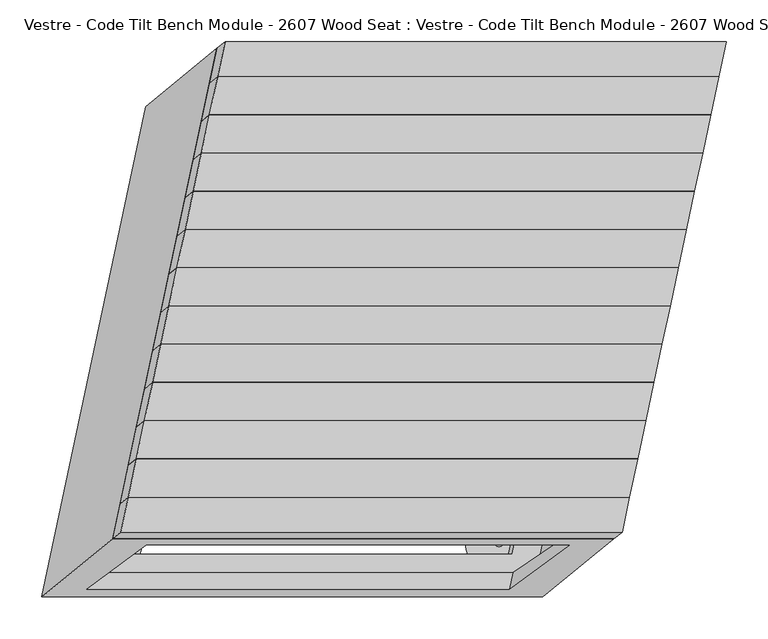
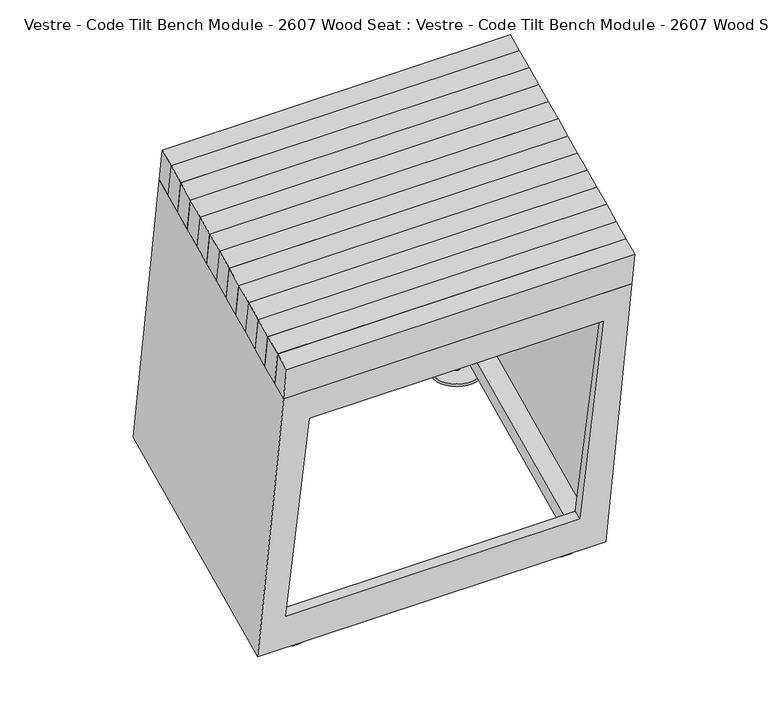
"""IFC4 building model written with IfcOpenShell, lengths in millimetres: furniture geometry, Vestre - Code Tilt Bench Module - 2607 Wood Seat : Vestre - Code Tilt Bench Module - 2607 Wood Seat."""

from ifc_helpers import new_model, si_unit, point, frame, frame_2d, origin, origin_with_axes, place, context, project, spatial, circle_curve, trimmed, segment, composite_curve, outline, extrude, faceted_brep, source, transform, mapped, element, save


def vestre_code_tilt_bench_module_2607_wood_seat_vestre_code_0fb46f59(model_context):
    return source(origin(), model_context, "Body", "SolidModel", [
        faceted_brep([(244.0437897, -174.1919917, 465.0), (253.7680564, -128.4429141, 465.0), (-346.2319436, -128.4429141, 465.0), (-355.9562103, -174.1919917, 465.0), (234.3979186, -182.0875693, 419.8134138), (-365.6020814, -182.0875693, 419.8134138), (-355.8778148, -136.3384916, 419.8134138), (244.1221852, -136.3384916, 419.8134138)], [[[0, 1, 2, 3]], [[4, 5, 6, 7]], [[5, 4, 0, 3]], [[6, 5, 3, 2]], [[7, 6, 2, 1]], [[4, 7, 1, 0]]]),
        faceted_brep([(253.7680564, -128.4429141, 465.0), (263.492323, -82.6938364, 465.0), (-336.507677, -82.6938364, 465.0), (-346.2319436, -128.4429141, 465.0), (244.1221852, -136.3384916, 419.8134138), (-355.8778148, -136.3384916, 419.8134138), (-346.1535481, -90.5894139, 419.8134138), (253.8464519, -90.5894139, 419.8134138)], [[[0, 1, 2, 3]], [[4, 5, 6, 7]], [[5, 4, 0, 3]], [[6, 5, 3, 2]], [[7, 6, 2, 1]], [[4, 7, 1, 0]]]),
        faceted_brep([(263.492323, -82.6938364, 465.0), (273.2165897, -36.9447587, 465.0), (-326.7834103, -36.9447587, 465.0), (-336.507677, -82.6938364, 465.0), (253.8464519, -90.5894139, 419.8134138), (-346.1535481, -90.5894139, 419.8134138), (-336.4292815, -44.8403363, 419.8134138), (263.5707185, -44.8403363, 419.8134138)], [[[0, 1, 2, 3]], [[4, 5, 6, 7]], [[5, 4, 0, 3]], [[6, 5, 3, 2]], [[7, 6, 2, 1]], [[4, 7, 1, 0]]]),
        faceted_brep([(273.2165897, -36.9447587, 465.0), (282.9408563, 8.8043189, 465.0), (-317.0591437, 8.8043189, 465.0), (-326.7834103, -36.9447587, 465.0), (263.5707185, -44.8403363, 419.8134138), (-336.4292815, -44.8403363, 419.8134138), (-326.7050148, 0.9087414, 419.8134138), (273.2949852, 0.9087414, 419.8134138)], [[[0, 1, 2, 3]], [[4, 5, 6, 7]], [[5, 4, 0, 3]], [[6, 5, 3, 2]], [[7, 6, 2, 1]], [[4, 7, 1, 0]]]),
        faceted_brep([(282.9408563, 8.8043189, 465.0), (292.665123, 54.5533966, 465.0), (-307.334877, 54.5533966, 465.0), (-317.0591437, 8.8043189, 465.0), (273.2949852, 0.9087414, 419.8134138), (-326.7050148, 0.9087414, 419.8134138), (-316.9807482, 46.657819, 419.8134138), (283.0192518, 46.657819, 419.8134138)], [[[0, 1, 2, 3]], [[4, 5, 6, 7]], [[5, 4, 0, 3]], [[6, 5, 3, 2]], [[7, 6, 2, 1]], [[4, 7, 1, 0]]]),
        faceted_brep([(292.665123, 54.5533966, 465.0), (302.3893896, 100.3024742, 465.0), (-297.6106104, 100.3024742, 465.0), (-307.334877, 54.5533966, 465.0), (283.0192518, 46.657819, 419.8134138), (-316.9807482, 46.657819, 419.8134138), (-307.2564815, 92.4068967, 419.8134138), (292.7435185, 92.4068967, 419.8134138)], [[[0, 1, 2, 3]], [[4, 5, 6, 7]], [[5, 4, 0, 3]], [[6, 5, 3, 2]], [[7, 6, 2, 1]], [[4, 7, 1, 0]]]),
        faceted_brep([(302.3893896, 100.3024742, 465.0), (312.1136563, 146.0515519, 465.0), (-287.8863437, 146.0515519, 465.0), (-297.6106104, 100.3024742, 465.0), (292.7435185, 92.4068967, 419.8134138), (-307.2564815, 92.4068967, 419.8134138), (-297.5322149, 138.1559744, 419.8134138), (302.4677851, 138.1559744, 419.8134138)], [[[0, 1, 2, 3]], [[4, 5, 6, 7]], [[5, 4, 0, 3]], [[6, 5, 3, 2]], [[7, 6, 2, 1]], [[4, 7, 1, 0]]]),
        faceted_brep([(312.1136563, 146.0515519, 465.0), (321.8379229, 191.8006296, 465.0), (-278.1620771, 191.8006296, 465.0), (-287.8863437, 146.0515519, 465.0), (302.4677851, 138.1559744, 419.8134138), (-297.5322149, 138.1559744, 419.8134138), (-287.8079482, 183.905052, 419.8134138), (312.1920518, 183.905052, 419.8134138)], [[[0, 1, 2, 3]], [[4, 5, 6, 7]], [[5, 4, 0, 3]], [[6, 5, 3, 2]], [[7, 6, 2, 1]], [[4, 7, 1, 0]]]),
        faceted_brep([(321.8379229, 191.8006296, 465.0), (331.5621895, 237.5497072, 465.0), (-268.4378105, 237.5497072, 465.0), (-278.1620771, 191.8006296, 465.0), (312.1920518, 183.905052, 419.8134138), (-287.8079482, 183.905052, 419.8134138), (-278.0836816, 229.6541297, 419.8134138), (321.9163184, 229.6541297, 419.8134138)], [[[0, 1, 2, 3]], [[4, 5, 6, 7]], [[5, 4, 0, 3]], [[6, 5, 3, 2]], [[7, 6, 2, 1]], [[4, 7, 1, 0]]]),
        faceted_brep([(331.5621895, 237.5497072, 465.0), (341.2864562, 283.2987849, 465.0), (-258.7135438, 283.2987849, 465.0), (-268.4378105, 237.5497072, 465.0), (321.9163184, 229.6541297, 419.8134138), (-278.0836816, 229.6541297, 419.8134138), (-268.3594149, 275.4032074, 419.8134138), (331.6405851, 275.4032074, 419.8134138)], [[[0, 1, 2, 3]], [[4, 5, 6, 7]], [[5, 4, 0, 3]], [[6, 5, 3, 2]], [[7, 6, 2, 1]], [[4, 7, 1, 0]]]),
        faceted_brep([(341.2864562, 283.2987849, 465.0), (351.0107228, 329.0478626, 465.0), (-248.9892772, 329.0478626, 465.0), (-258.7135438, 283.2987849, 465.0), (331.6405851, 275.4032074, 419.8134138), (-268.3594149, 275.4032074, 419.8134138), (-258.6351483, 321.152285, 419.8134138), (341.3648517, 321.152285, 419.8134138)], [[[0, 1, 2, 3]], [[4, 5, 6, 7]], [[5, 4, 0, 3]], [[6, 5, 3, 2]], [[7, 6, 2, 1]], [[4, 7, 1, 0]]]),
        faceted_brep([(235.1533674, -216.0181403, 465.0), (244.0437897, -174.1919917, 465.0), (-355.9562103, -174.1919917, 465.0), (-364.8466326, -216.0181403, 465.0), (225.5082596, -223.9101268, 419.8134138), (-374.4917404, -223.9101268, 419.8134138), (-365.6020814, -182.0875693, 419.8134138), (234.3979186, -182.0875693, 419.8134138)], [[[0, 1, 2, 3]], [[4, 5, 6, 7]], [[5, 4, 0, 3]], [[6, 5, 3, 2]], [[7, 6, 2, 1]], [[4, 7, 1, 0]]]),
        extrude(outline(composite_curve([segment(trimmed(circle_curve(frame_2d((184.9661106, 228.5027868)), 5.0), [point((189.9661106, 228.5027868))], [point((179.9661106, 228.5027868))], False, "CARTESIAN"), True, "CONTINUOUS"), segment(trimmed(circle_curve(frame_2d((184.9661106, 228.5027868)), 5.0), [point((179.9661106, 228.5027868))], [point((189.9661106, 228.5027868))], False, "CARTESIAN"), True, "CONTINUOUS")], self_intersect=False)), frame((0.0, 0.0, 5.0), z_axis=(0.0, 0.0, 1.0), x_axis=(1.0, 0.0, 0.0)), (0.0, 0.0, 1.0), 16.8677277),
        extrude(outline(composite_curve([segment(trimmed(circle_curve(frame_2d((-379.2374486, -228.4385142)), 5.0), [point((-374.2374486, -228.4385142))], [point((-384.2374486, -228.4385142))], False, "CARTESIAN"), True, "CONTINUOUS"), segment(trimmed(circle_curve(frame_2d((-379.2374486, -228.4385142)), 5.0), [point((-384.2374486, -228.4385142))], [point((-374.2374486, -228.4385142))], False, "CARTESIAN"), True, "CONTINUOUS")], self_intersect=False)), frame((0.0, 0.0, 5.0), z_axis=(0.0, 0.0, 1.0), x_axis=(1.0, 0.0, 0.0)), (0.0, 0.0, 1.0), 16.8677277),
        extrude(outline(composite_curve([segment(trimmed(circle_curve(frame_2d((87.8263213, -228.4385142)), 5.0), [point((92.8263213, -228.4385142))], [point((82.8263213, -228.4385142))], False, "CARTESIAN"), True, "CONTINUOUS"), segment(trimmed(circle_curve(frame_2d((87.8263213, -228.4385142)), 5.0), [point((82.8263213, -228.4385142))], [point((92.8263213, -228.4385142))], False, "CARTESIAN"), True, "CONTINUOUS")], self_intersect=False)), frame((0.0, 0.0, 5.0), z_axis=(0.0, 0.0, 1.0), x_axis=(1.0, 0.0, 0.0)), (0.0, 0.0, 1.0), 16.8677277),
        faceted_brep([(-249.744726, 362.9784336, 419.8134138), (-374.4917404, -223.9101268, 419.8134138), (225.5082596, -223.9101268, 419.8134138), (350.255274, 362.9784336, 419.8134138), (-208.6618234, 312.2208839, 419.8134138), (287.594671, 312.2208839, 419.8134138), (181.9894462, -184.6126361, 419.8134138), (-314.2670481, -184.6126361, 419.8134138), (-334.6932278, 293.4442802, 21.8677277), (265.3067722, 293.4442802, 21.8677277), (140.5597577, -293.4442802, 21.8677277), (-459.4402423, -293.4442802, 21.8677277), (202.6461691, 242.6867305, 21.8677277), (-293.6103253, 242.6867305, 21.8677277), (-397.172905, -244.5369002, 21.8677277), (99.0835894, -244.5369002, 21.8677277), (-334.09591, -231.7848414, 374.7462265), (171.9626845, -231.7848414, 374.7462265), (100.3471348, -284.7076416, 71.8677277), (-405.7114596, -284.7076416, 71.8677277), (-212.211096, 309.3156453, 403.1866612), (284.0453984, 309.3156453, 403.1866612), (206.7306515, 246.0300623, 41.0016985), (-289.5258429, 246.0300623, 41.0016985), (178.5255183, -187.1163595, 403.1866612), (103.0698576, -241.6556298, 41.0016985), (-317.730976, -187.1163595, 403.1866612), (-393.1866367, -241.6556298, 41.0016985), (-330.8611911, -216.5666856, 374.7462265), (175.1974034, -216.5666856, 374.7462265), (104.5597422, -264.8888821, 71.8677277), (-401.4988523, -264.8888821, 71.8677277), (-224.6981062, 332.9707916, 403.1866612), (317.142409, 332.9707916, 403.1866612), (201.2990829, -212.0292084, 403.1866612), (-340.5414324, -212.0292084, 403.1866612), (-322.5535579, 272.8781405, 41.0016985), (-437.9061944, -269.8133464, 41.0016985), (131.2549878, -269.8133464, 41.0016985), (246.6076242, 272.8781405, 41.0016985)], [[[0, 1, 2, 3], [4, 5, 6, 7]], [[8, 9, 10, 11], [12, 13, 14, 15]], [[0, 3, 9, 8]], [[3, 2, 10, 9]], [[2, 1, 11, 10], [16, 17, 18, 19]], [[1, 0, 8, 11]], [[5, 4, 20, 21]], [[13, 12, 22, 23]], [[6, 5, 21, 24]], [[12, 15, 25, 22]], [[7, 6, 24, 26]], [[15, 14, 27, 25]], [[4, 7, 26, 20]], [[14, 13, 23, 27]], [[17, 16, 28, 29]], [[19, 18, 30, 31]], [[18, 17, 29, 30]], [[16, 19, 31, 28]], [[32, 33, 34, 35], [21, 20, 26, 24]], [[36, 37, 38, 39], [23, 22, 25, 27]], [[33, 32, 36, 39]], [[34, 33, 39, 38]], [[35, 34, 38, 37], [29, 28, 31, 30]], [[32, 35, 37, 36]]]),
        extrude(outline(composite_curve([segment(trimmed(circle_curve(frame_2d((-282.0328456, 228.5027868)), 5.0), [point((-287.0328456, 228.5027868))], [point((-277.0328456, 228.5027868))], False, "CARTESIAN"), True, "CONTINUOUS"), segment(trimmed(circle_curve(frame_2d((-282.0328456, 228.5027868)), 5.0), [point((-277.0328456, 228.5027868))], [point((-287.0328456, 228.5027868))], False, "CARTESIAN"), True, "CONTINUOUS")], self_intersect=False)), frame((0.0, 0.0, 5.0), z_axis=(0.0, 0.0, 1.0), x_axis=(1.0, 0.0, 0.0)), (0.0, 0.0, 1.0), 16.8677277),
        faceted_brep([(351.0107228, 329.0478626, 465.0), (359.9011452, 370.8740111, 465.0), (-240.0988548, 370.8740111, 465.0), (-248.9892772, 329.0478626, 465.0), (341.3648517, 321.152285, 419.8134138), (-258.6351483, 321.152285, 419.8134138), (-249.744726, 362.9784336, 419.8134138), (350.255274, 362.9784336, 419.8134138)], [[[0, 1, 2, 3]], [[4, 5, 6, 7]], [[5, 4, 0, 3]], [[6, 5, 3, 2]], [[7, 6, 2, 1]], [[4, 7, 1, 0]]]),
        extrude(outline(composite_curve([segment(trimmed(circle_curve(frame_2d((184.9104706, 228.2596966)), 40.0), [point((224.9104706, 228.2596966))], [point((144.9104706, 228.2596966))], False, "CARTESIAN"), True, "CONTINUOUS"), segment(trimmed(circle_curve(frame_2d((184.9104706, 228.2596966)), 40.0), [point((144.9104706, 228.2596966))], [point((224.9104706, 228.2596966))], False, "CARTESIAN"), True, "CONTINUOUS")], self_intersect=False)), origin_with_axes(), (0.0, 0.0, 1.0), 5.0),
        extrude(outline(composite_curve([segment(trimmed(circle_curve(frame_2d((-379.2930885, -228.6816045)), 40.0), [point((-339.2930885, -228.6816045))], [point((-419.2930885, -228.6816045))], False, "CARTESIAN"), True, "CONTINUOUS"), segment(trimmed(circle_curve(frame_2d((-379.2930885, -228.6816045)), 40.0), [point((-419.2930885, -228.6816045))], [point((-339.2930885, -228.6816045))], False, "CARTESIAN"), True, "CONTINUOUS")], self_intersect=False)), origin_with_axes(), (0.0, 0.0, 1.0), 5.0),
        extrude(outline(composite_curve([segment(trimmed(circle_curve(frame_2d((87.7706813, -228.6816045)), 40.0), [point((127.7706813, -228.6816045))], [point((47.7706813, -228.6816045))], False, "CARTESIAN"), True, "CONTINUOUS"), segment(trimmed(circle_curve(frame_2d((87.7706813, -228.6816045)), 40.0), [point((47.7706813, -228.6816045))], [point((127.7706813, -228.6816045))], False, "CARTESIAN"), True, "CONTINUOUS")], self_intersect=False)), origin_with_axes(), (0.0, 0.0, 1.0), 5.0),
        extrude(outline(composite_curve([segment(trimmed(circle_curve(frame_2d((-281.9772057, 228.2596966)), 40.0), [point((-321.9772057, 228.2596966))], [point((-241.9772057, 228.2596966))], False, "CARTESIAN"), True, "CONTINUOUS"), segment(trimmed(circle_curve(frame_2d((-281.9772057, 228.2596966)), 40.0), [point((-241.9772057, 228.2596966))], [point((-321.9772057, 228.2596966))], False, "CARTESIAN"), True, "CONTINUOUS")], self_intersect=False)), origin_with_axes(), (0.0, 0.0, 1.0), 5.0),
    ])


if __name__ == "__main__":
    model = new_model("IFC4")
    model_context = context("Model", 3, world=origin())
    ifc_project = project(units=[si_unit("LENGTHUNIT", "METRE", prefix="MILLI")], contexts=[model_context])
    site = spatial("IfcSite", under=ifc_project)
    building = spatial("IfcBuilding", under=site)
    placement = place(None, origin())
    vestre_code_tilt_bench_module_2607_wood_seat_vestre_code_shape = vestre_code_tilt_bench_module_2607_wood_seat_vestre_code_0fb46f59(model_context)
    element("IfcFurniture", 1, ObjectType="Vestre - Code Tilt Bench Module - 2607 Wood Seat : Vestre - Code Tilt Bench Module - 2607 Wood Seat", at=placement, inside=building, context=model_context, shape_type="MappedRepresentation", body=[
        mapped(vestre_code_tilt_bench_module_2607_wood_seat_vestre_code_shape, transform((0.0, 0.0, 0.0), x_axis=(1.0, 0.0, 0.0), y_axis=(0.0, 1.0, 0.0), z_axis=(0.0, 0.0, 1.0))),
    ])
    save(model, "model.ifc")
